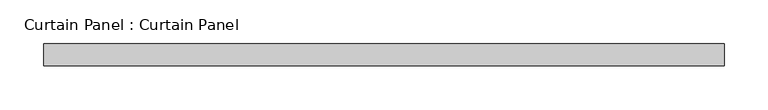
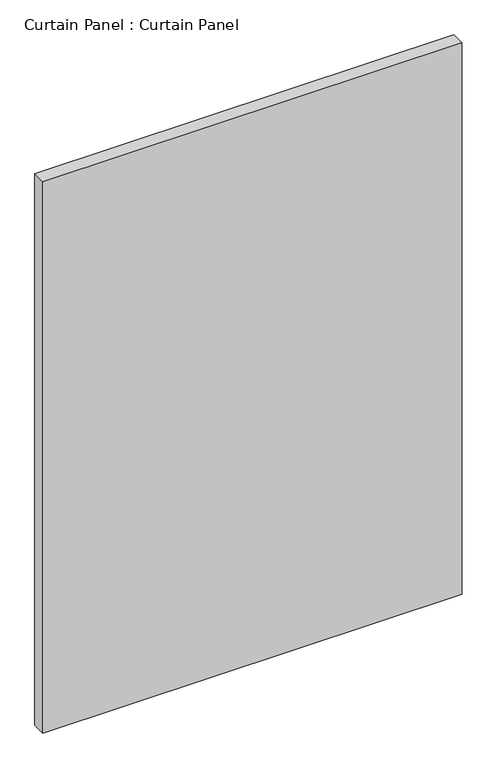
"""IFC4 building model written with IfcOpenShell, lengths in millimetres: plate geometry, Curtain Panel : Curtain Panel."""

from ifc_helpers import new_model, si_unit, frame, origin, place, context, project, spatial, polyline, outline, extrude, source, transform, mapped, element, save


def curtain_panel_curtain_panel_146abc61(model_context):
    return source(origin(), model_context, "Body", "SweptSolid", [
        extrude(outline(polyline([(-37201.0157289, -1996.9602036), (-37981.7497072, -1996.9602036), (-37981.7497072, -1971.5602036), (-37201.0157289, -1971.5602036), (-37201.0157289, -1996.9602036)])), frame((0.0, 0.0, 606.5772153), z_axis=(0.0, 0.0, 1.0), x_axis=(1.0, 0.0, 0.0)), (0.0, 0.0, 1.0), 1085.0188935),
    ])


if __name__ == "__main__":
    model = new_model("IFC4")
    model_context = context("Model", 3, world=origin())
    ifc_project = project(units=[si_unit("LENGTHUNIT", "METRE", prefix="MILLI")], contexts=[model_context])
    site = spatial("IfcSite", under=ifc_project)
    building = spatial("IfcBuilding", under=site)
    placement = place(None, origin())
    curtain_panel_curtain_panel_shape = curtain_panel_curtain_panel_146abc61(model_context)
    element("IfcPlate", 1, ObjectType="Curtain Panel : Curtain Panel", at=placement, inside=building, context=model_context, shape_type="MappedRepresentation", body=[
        mapped(curtain_panel_curtain_panel_shape, transform((0.0, 0.0, 0.0), x_axis=(1.0, 0.0, 0.0), y_axis=(0.0, 1.0, 0.0), z_axis=(0.0, 0.0, 1.0))),
    ])
    save(model, "model.ifc")
